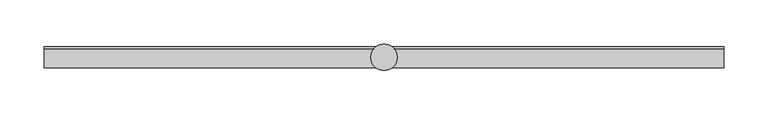
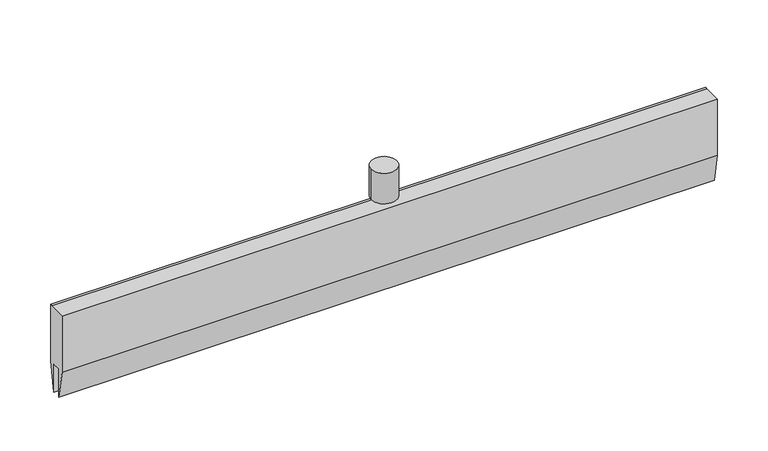
"""IFC4 building model written with IfcOpenShell, lengths in millimetres: proxy geometry."""

from ifc_helpers import new_model, si_unit, point, frame, origin, origin_2d, place, context, project, spatial, polyline, circle_curve, trimmed, segment, composite_curve, outline, extrude, source, transform, mapped, element, save


def specialty_equipment_50666f38(model_context):
    return source(origin(), model_context, "Body", "SweptSolid", [
        extrude(outline(polyline([(-12.0, 49.0), (9.692747, 49.0), (12.0, 49.0), (12.0, -21.0), (5.0, -56.0), (5.0, -21.0), (-5.0, -21.0), (-5.0, -56.0), (-12.0, -21.0), (-12.0, 49.0)])), frame((-385.7777778, 0.0, 0.0), z_axis=(1.0, 0.0, 0.0), x_axis=(0.0, 1.0, 0.0)), (0.0, 0.0, 1.0), 771.5555556),
        extrude(outline(composite_curve([segment(trimmed(circle_curve(origin_2d(), 4.0), [point((-4.0, 0.0))], [point((4.0, 0.0))], False, "CARTESIAN"), True, "CONTINUOUS"), segment(trimmed(circle_curve(origin_2d(), 4.0), [point((4.0, 0.0))], [point((-4.0, 0.0))], False, "CARTESIAN"), True, "CONTINUOUS")], self_intersect=False)), frame((0.0, 0.0, 49.0), z_axis=(0.0, 0.0, 1.0), x_axis=(1.0, 0.0, 0.0)), (0.0, 0.0, 1.0), 30.0),
        extrude(outline(composite_curve([segment(trimmed(circle_curve(origin_2d(), 15.0), [point((-15.0, 0.0))], [point((15.0, 0.0))], False, "CARTESIAN"), True, "CONTINUOUS"), segment(trimmed(circle_curve(origin_2d(), 15.0), [point((15.0, 0.0))], [point((-15.0, 0.0))], False, "CARTESIAN"), True, "CONTINUOUS")], self_intersect=False)), frame((0.0, 0.0, 57.0), z_axis=(0.0, 0.0, 1.0), x_axis=(1.0, 0.0, 0.0)), (0.0, 0.0, 1.0), 38.0),
    ])


if __name__ == "__main__":
    model = new_model("IFC4")
    model_context = context("Model", 3, world=origin())
    ifc_project = project(units=[si_unit("LENGTHUNIT", "METRE", prefix="MILLI")], contexts=[model_context])
    site = spatial("IfcSite", under=ifc_project)
    building = spatial("IfcBuilding", under=site)
    placement = place(None, origin())
    specialty_equipment_shape = specialty_equipment_50666f38(model_context)
    element("IfcBuildingElementProxy", 1, Name="Specialty Equipment", at=placement, inside=building, context=model_context, shape_type="MappedRepresentation", body=[
        mapped(specialty_equipment_shape, transform((0.0, 0.0, 0.0), x_axis=(1.0, 0.0, 0.0), y_axis=(0.0, 1.0, 0.0), z_axis=(0.0, 0.0, 1.0))),
    ])
    save(model, "model.ifc")
